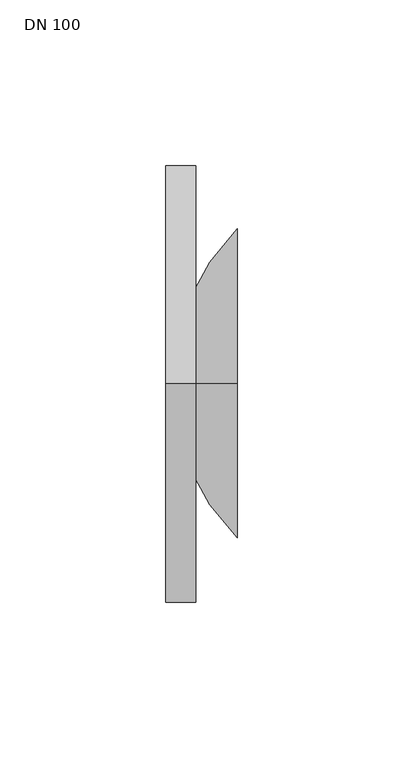
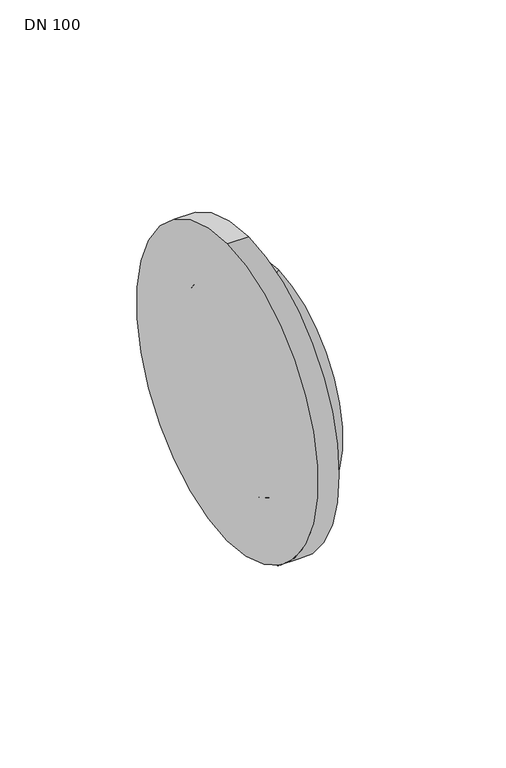
"""IFC4 building model written with IfcOpenShell, lengths in millimetres: air terminal geometry, DN 100."""

from ifc_helpers import new_model, si_unit, point, frame, origin, place, context, project, spatial, circle_curve, ellipse_curve, trimmed, source, transform, mapped, element, save
from ifc_brep_helpers import plane_surface, cylinder_surface, revolved_surface, advanced_brep


def dn_100_26a0a081(model_context):
    return source(origin(), model_context, "Body", "AdvancedBrep", [
        advanced_brep(
        [(2.0, 0.0, -40.7250356), (2.0, 0.0, 40.7250356), (0.0, 0.0, 66.0), (0.0, 0.0, -66.0), (9.0, 0.0, 66.0), (9.0, 0.0, -66.0), (9.0, 0.0, -49.5), (9.0, 0.0, 49.5)],
        [
            (0, 1, circle_curve(frame((2.0, 0.0, 0.0), z_axis=(1.0, 0.0, 0.0), x_axis=(0.0, 0.0, 1.0)), 40.7250356)),
            (1, 0, circle_curve(frame((2.0, 0.0, 0.0), z_axis=(1.0, 0.0, 0.0), x_axis=(0.0, 0.0, 1.0)), 40.7250356)),
            (2, 3, circle_curve(frame((0.0, 0.0, 0.0), z_axis=(-1.0, 0.0, 0.0), x_axis=(0.0, 0.0, 1.0)), 66.0)),
            (3, 2, circle_curve(frame((0.0, 0.0, 0.0), z_axis=(-1.0, 0.0, 0.0), x_axis=(0.0, 0.0, 1.0)), 66.0)),
            (2, 4),
            (4, 5, circle_curve(frame((9.0, 0.0, 0.0), z_axis=(-1.0, 0.0, 0.0), x_axis=(0.0, 0.0, 1.0)), 66.0)),
            (5, 3),
            (5, 4, circle_curve(frame((9.0, 0.0, 0.0), z_axis=(-1.0, 0.0, 0.0), x_axis=(0.0, 0.0, 1.0)), 66.0)),
            (6, 7, circle_curve(frame((9.0, 0.0, 0.0), z_axis=(1.0, 0.0, 0.0), x_axis=(0.0, 0.0, 1.0)), 49.5)),
            (7, 1, circle_curve(frame((0.0, 0.0, 49.5), z_axis=(0.0, 1.0, 0.0), x_axis=(1.0, 0.0, 0.0)), 9.0)),
            (0, 6, circle_curve(frame((0.0, 0.0, -49.5), z_axis=(0.0, 1.0, 0.0), x_axis=(1.0, 0.0, 0.0)), 9.0)),
            (7, 6, circle_curve(frame((9.0, 0.0, 0.0), z_axis=(1.0, 0.0, 0.0), x_axis=(0.0, 0.0, 1.0)), 49.5)),
            (4, 7),
            (6, 5),
        ],
        [
            plane_surface(frame((2.0, 49.5, 0.0), z_axis=(1.0, 0.0, 0.0), x_axis=(0.0, 0.0, 1.0))),
            plane_surface(frame((0.0, 49.5, 0.0), z_axis=(-1.0, 0.0, 0.0), x_axis=(0.0, 0.0, -1.0))),
            cylinder_surface(frame((-7.8178091, 0.0, 0.0), z_axis=(-1.0, 0.0, 0.0), x_axis=(0.0, 0.0, 1.0)), 66.0),
            revolved_surface(trimmed(ellipse_curve(frame((0.0, 0.0, 49.5), z_axis=(0.0, -1.0, 0.0), x_axis=(1.0, 0.0, 0.0)), 9.0, 9.0), [point((0.0, 0.0, 40.5))], [point((9.0, 0.0, 49.5))], True, "CARTESIAN"), (-7.8178091, 0.0, 0.0), (-1.0, 0.0, 0.0)),
            plane_surface(frame((9.0, 0.0, 0.0), z_axis=(1.0, 0.0, 0.0), x_axis=(0.0, 0.0, 1.0))),
        ],
        [
            (0, [[1, 2]]),
            (1, [[3, 4]]),
            (2, [[-3, 5, 6, 7]]),
            (2, [[-5, -4, -7, 8]]),
            (3, [[9, 10, -1, 11]]),
            (3, [[12, -11, -2, -10]]),
            (4, [[-6, 13, -9, 14]]),
            (4, [[-8, -14, -12, -13]]),
        ],
    ),
        advanced_brep(
        [(21.5, 0.0, -43.837485), (21.5, 0.0, 43.837485), (4.0940137, 0.0, 0.0), (21.5, 0.0, -46.837485), (21.5, 0.0, 46.837485), (2.0, 0.0, 0.0)],
        [
            (0, 1, circle_curve(frame((21.5, 0.0, 0.0), z_axis=(1.0, 0.0, 0.0), x_axis=(0.0, 0.0, 1.0)), 43.837485)),
            (1, 2, circle_curve(frame((68.0, 0.0, 0.0), z_axis=(0.0, -1.0, 0.0), x_axis=(1.0, 0.0, 0.0)), 63.9059863)),
            (2, 0, circle_curve(frame((68.0, 0.0, 0.0), z_axis=(0.0, -1.0, 0.0), x_axis=(1.0, 0.0, 0.0)), 63.9059863)),
            (1, 0, circle_curve(frame((21.5, 0.0, 0.0), z_axis=(1.0, 0.0, 0.0), x_axis=(0.0, 0.0, 1.0)), 43.837485)),
            (0, 3),
            (3, 4, circle_curve(frame((21.5, 0.0, 0.0), z_axis=(1.0, 0.0, 0.0), x_axis=(0.0, 0.0, 1.0)), 46.837485)),
            (4, 1),
            (4, 3, circle_curve(frame((21.5, 0.0, 0.0), z_axis=(1.0, 0.0, 0.0), x_axis=(0.0, 0.0, 1.0)), 46.837485)),
            (3, 5, circle_curve(frame((68.0, 0.0, 0.0), z_axis=(0.0, 1.0, 0.0), x_axis=(1.0, 0.0, 0.0)), 66.0)),
            (5, 4, circle_curve(frame((68.0, 0.0, 0.0), z_axis=(0.0, 1.0, 0.0), x_axis=(1.0, 0.0, 0.0)), 66.0)),
        ],
        [
            revolved_surface(trimmed(ellipse_curve(frame((68.0, 0.0, 0.0), z_axis=(0.0, 1.0, 0.0), x_axis=(1.0, 0.0, 0.0)), 63.9059863, 63.9059863), [point((4.0940137, 0.0, 0.0))], [point((21.5, 0.0, 43.837485))], True, "CARTESIAN"), (-40.0, 0.0, 0.0), (-1.0, 0.0, 0.0)),
            plane_surface(frame((21.5, 0.0, 0.0), z_axis=(1.0, 0.0, 0.0), x_axis=(0.0, 0.0, 1.0))),
            revolved_surface(trimmed(ellipse_curve(frame((68.0, 0.0, 0.0), z_axis=(0.0, -1.0, 0.0), x_axis=(1.0, 0.0, 0.0)), 66.0, 66.0), [point((21.5, 0.0, 46.837485))], [point((2.0, 0.0, 0.0))], True, "CARTESIAN"), (-40.0, 0.0, 0.0), (-1.0, 0.0, 0.0)),
        ],
        [
            (0, [[1, 2, 3]]),
            (0, [[-2, 4, -3]]),
            (1, [[-1, 5, 6, 7]]),
            (1, [[-4, -7, 8, -5]]),
            (2, [[-6, 9, 10]]),
            (2, [[-8, -10, -9]]),
        ],
    ),
    ])


if __name__ == "__main__":
    model = new_model("IFC4")
    model_context = context("Model", 3, world=origin())
    ifc_project = project(units=[si_unit("LENGTHUNIT", "METRE", prefix="MILLI")], contexts=[model_context])
    site = spatial("IfcSite", under=ifc_project)
    building = spatial("IfcBuilding", under=site)
    placement = place(None, origin())
    dn_100_shape = dn_100_26a0a081(model_context)
    element("IfcAirTerminal", 1, ObjectType="DN 100", at=placement, inside=building, context=model_context, shape_type="MappedRepresentation", body=[
        mapped(dn_100_shape, transform((0.0, 0.0, 0.0), x_axis=(1.0, 0.0, 0.0), y_axis=(0.0, 1.0, 0.0), z_axis=(0.0, 0.0, 1.0))),
    ])
    save(model, "model.ifc")
